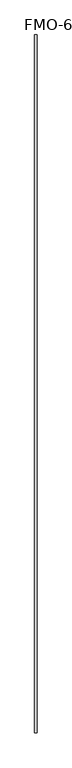
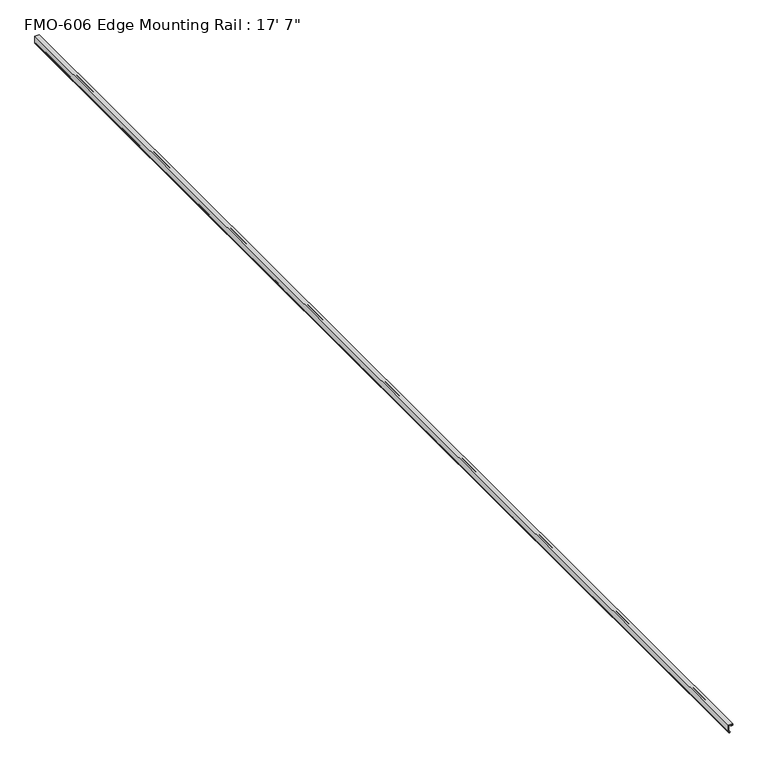
"""IFC4 building model written with IfcOpenShell, lengths in millimetres: proxy geometry."""

from ifc_helpers import new_model, si_unit, point, frame, frame_2d, origin, place, context, project, spatial, polyline, circle_curve, trimmed, segment, composite_curve, outline, extrude, source, transform, mapped, element, save


def proxy_719b2816(model_context):
    return source(origin(), model_context, "Body", "SweptSolid", [
        extrude(outline(composite_curve([segment(polyline([(48.6176322, 35.9236997), (48.6176322, 37.2312618)]), True, "CONTINUOUS"), segment(trimmed(circle_curve(frame_2d((47.0301322, 37.2312618)), 1.5875), [point((48.6176322, 37.2312618))], [point((47.0301322, 38.8187618))], True, "CARTESIAN"), True, "CONTINUOUS"), segment(polyline([(47.0301322, 38.8187618), (45.4574179, 38.8187618)]), True, "CONTINUOUS"), segment(trimmed(circle_curve(frame_2d((45.3336793, 39.2059792)), 0.4065077), [point((45.4574179, 38.8187618))], [point((45.0751662, 39.5196981))], False, "CARTESIAN"), True, "CONTINUOUS"), segment(polyline([(45.0751662, 39.5196981), (45.6413154, 41.3336309)]), True, "CONTINUOUS"), segment(trimmed(circle_curve(frame_2d((48.550892, 40.4255188)), 3.048), [point((45.6413154, 41.3336309))], [point((46.963392, 43.0274696))], False, "CARTESIAN"), True, "CONTINUOUS"), segment(trimmed(circle_curve(frame_2d((48.550892, 40.4255188)), 3.048), [point((46.963392, 43.0274696))], [point((51.4604687, 41.3336309))], False, "CARTESIAN"), True, "CONTINUOUS"), segment(polyline([(51.4604687, 41.3336309), (52.0728086, 39.3717038)]), True, "CONTINUOUS"), segment(trimmed(circle_curve(frame_2d((51.7314825, 39.1572577)), 0.4031012), [point((52.0728086, 39.3717038))], [point((51.5637963, 38.7906899))], False, "CARTESIAN"), True, "CONTINUOUS"), segment(polyline([(51.5637963, 38.7906899), (50.7457603, 38.6978589)]), True, "CONTINUOUS"), segment(trimmed(circle_curve(frame_2d((51.1576322, 38.0567618)), 0.762), [point((50.7457603, 38.6978589))], [point((50.3959129, 38.036083))], True, "CARTESIAN"), True, "CONTINUOUS"), segment(trimmed(circle_curve(frame_2d((50.9036322, 38.0191997)), 0.508), [point((50.3959129, 38.036083))], [point((50.9036322, 37.5111997))], True, "CARTESIAN"), True, "CONTINUOUS"), segment(polyline([(50.9036322, 37.5111997), (55.0841934, 37.4984997), (55.7538908, 37.0800263), (56.7754428, 37.0800263), (57.4451402, 37.4984997), (78.870502, 37.4984997)]), True, "CONTINUOUS"), segment(trimmed(circle_curve(frame_2d((78.870502, 39.0859997)), 1.5875), [point((78.870502, 37.4984997))], [point((80.458002, 39.0859997))], True, "CARTESIAN"), True, "CONTINUOUS"), segment(polyline([(80.458002, 39.0859997), (80.458002, 43.2261997)]), True, "CONTINUOUS"), segment(trimmed(circle_curve(frame_2d((78.870502, 43.2261997)), 1.5875), [point((80.458002, 43.2261997))], [point((78.870502, 44.8136997))], True, "CARTESIAN"), True, "CONTINUOUS"), segment(polyline([(78.870502, 44.8136997), (76.343202, 44.8136997), (76.343202, 48.0013997)]), True, "CONTINUOUS"), segment(trimmed(circle_curve(frame_2d((76.343202, 49.5761997)), 1.5748), [point((76.343202, 48.0013997))], [point((76.343202, 51.1509997))], False, "CARTESIAN"), True, "CONTINUOUS"), segment(polyline([(76.343202, 51.1509997), (76.343202, 54.9736997), (77.918002, 54.9736997), (77.6804202, 54.1966046), (77.9009523, 53.4275178), (77.6722723, 52.6795393), (77.935601, 51.9147774), (77.6710038, 51.1463315), (77.9266166, 50.4039781), (77.6615406, 49.6341415), (77.9209183, 48.880854), (77.6587932, 48.1195874), (77.9184396, 47.2703222), (77.6633884, 46.5295997), (80.8121702, 46.5295997), (80.4520495, 47.2363764), (80.7141746, 47.9976431), (80.454797, 48.7509306), (80.719873, 49.5207671), (80.4642602, 50.2631205), (80.7288573, 51.0315664), (80.4655286, 51.7963284), (80.6942086, 52.5443068), (80.4736765, 53.3133936), (80.7112583, 54.0904887), (80.4580017, 54.9736997), (82.032802, 54.9736997), (82.032802, 35.9236997), (48.6176322, 35.9236997)]), True, "CONTINUOUS")], self_intersect=False)), frame((0.0, -5284.1500904, 0.0), z_axis=(0.0, 1.0, 0.0), x_axis=(0.0, 0.0, 1.0)), (0.0, 0.0, 1.0), 5359.4),
    ])


if __name__ == "__main__":
    model = new_model("IFC4")
    model_context = context("Model", 3, world=origin())
    ifc_project = project(units=[si_unit("LENGTHUNIT", "METRE", prefix="MILLI")], contexts=[model_context])
    site = spatial("IfcSite", under=ifc_project)
    building = spatial("IfcBuilding", under=site)
    placement = place(None, origin())
    proxy_shape = proxy_719b2816(model_context)
    element("IfcBuildingElementProxy", 1, Name="FMO-606 Edge Mounting Rail : 17' 7\"", ObjectType="FMO-606 Edge Mounting Rail : 17' 7\"", at=placement, inside=building, context=model_context, shape_type="MappedRepresentation", body=[
        mapped(proxy_shape, transform((0.0, 0.0, 0.0), x_axis=(1.0, 0.0, 0.0), y_axis=(0.0, 1.0, 0.0), z_axis=(0.0, 0.0, 1.0))),
    ])
    save(model, "model.ifc")
